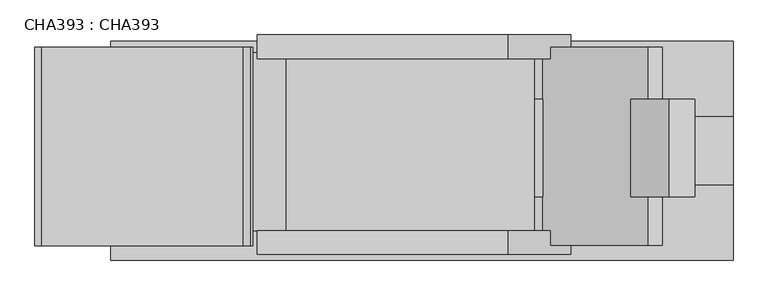
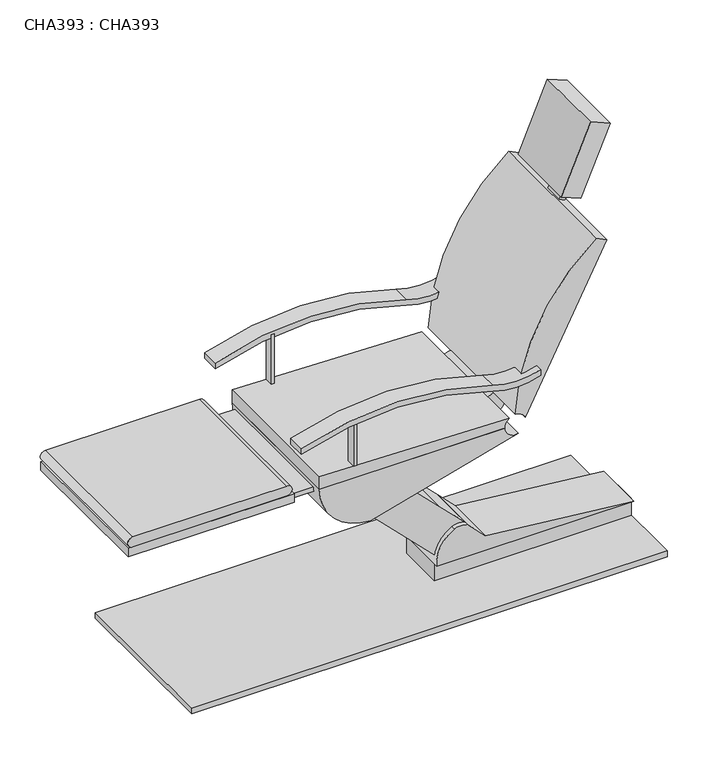
"""IFC4 building model written with IfcOpenShell, lengths in millimetres: proxy geometry, CHA393 : CHA393."""

from ifc_helpers import new_model, si_unit, point, frame, frame_2d, origin, origin_with_axes, place, context, project, spatial, polyline, circle_curve, trimmed, segment, composite_curve, outline, extrude, source, transform, mapped, element, save


def cha393_cha393_4b48a01d(model_context):
    return source(origin(), model_context, "Body", "SweptSolid", [
        extrude(outline(polyline([(949.5817063, 103.2268467), (939.5817063, 103.2268467), (939.5817063, 132.1294485), (949.5817063, 132.1294485), (949.5817063, 103.2268467)])), frame((0.0, 0.0, 657.1165582), z_axis=(0.0, 0.0, 1.0), x_axis=(1.0, 0.0, 0.0)), (0.0, 0.0, 1.0), 175.0),
        extrude(outline(polyline([(949.5817063, -373.9132284), (939.5817063, -373.9132284), (939.5817063, -344.642022), (949.5817063, -344.642022), (949.5817063, -373.9132284)])), frame((0.0, 0.0, 657.1165582), z_axis=(0.0, 0.0, 1.0), x_axis=(1.0, 0.0, 0.0)), (0.0, 0.0, 1.0), 175.0),
        extrude(outline(composite_curve([segment(polyline([(630.0419297, 201.4649975), (630.0419297, 716.4649975)]), True, "CONTINUOUS"), segment(trimmed(circle_curve(frame_2d((647.5419297, 716.4649975)), 17.5), [point((630.0419297, 716.4649975))], [point((665.0419297, 716.4649975))], False, "CARTESIAN"), True, "CONTINUOUS"), segment(polyline([(665.0419297, 716.4649975), (665.0419297, 201.4649975)]), True, "CONTINUOUS"), segment(trimmed(circle_curve(frame_2d((647.5419297, 201.4649975)), 17.5), [point((665.0419297, 201.4649975))], [point((630.0419297, 201.4649975))], False, "CARTESIAN"), True, "CONTINUOUS")], self_intersect=False)), frame((0.0, -373.9132284, 0.0), z_axis=(0.0, 1.0, 0.0), x_axis=(0.0, 0.0, 1.0)), (0.0, 0.0, 1.0), 506.0426768),
        extrude(outline(polyline([(1034.9843084, -336.2077402), (274.9893344, -336.2077402), (274.9893344, 118.1388683), (1034.9843084, 118.1388683), (1034.9843084, -336.2077402)])), frame((0.0, 0.0, 585.0419297), z_axis=(0.0, 0.0, 1.0), x_axis=(1.0, 0.0, 0.0)), (0.0, 0.0, 1.0), 15.0),
        extrude(outline(polyline([(740.3541151, -373.9132284), (185.3541151, -373.9132284), (185.3541151, 132.1294485), (740.3541151, 132.1294485), (740.3541151, -373.9132284)])), frame((0.0, 0.0, 600.0419297), z_axis=(0.0, 0.0, 1.0), x_axis=(1.0, 0.0, 0.0)), (0.0, 0.0, 1.0), 30.0),
        extrude(outline(composite_curve([segment(polyline([(660.0419297, 825.3541151), (615.0419297, 825.3541151), (615.0419297, 1445.3541151)]), True, "CONTINUOUS"), segment(trimmed(circle_curve(frame_2d((615.0419297, 1481.3328723)), 35.9787572), [point((615.0419297, 1445.3541151))], [point((643.7961293, 1459.707263))], True, "CARTESIAN"), True, "CONTINUOUS"), segment(polyline([(643.7961293, 1459.707263), (660.0419297, 825.3541151)]), True, "CONTINUOUS")], self_intersect=False)), frame((0.0, -373.9132284, 0.0), z_axis=(0.0, 1.0, 0.0), x_axis=(0.0, 0.0, 1.0)), (0.0, 0.0, 1.0), 506.0426768),
        extrude(outline(composite_curve([segment(polyline([(825.3541151, 615.0419297), (1445.3541151, 615.0419297)]), True, "CONTINUOUS"), segment(trimmed(circle_curve(frame_2d((1481.3328723, 615.0419297)), 35.9787572), [point((1445.3541151, 615.0419297))], [point((1490.7860083, 580.3272471))], True, "CARTESIAN"), True, "CONTINUOUS"), segment(polyline([(1490.7860083, 580.3272471), (995.0597426, 445.3363022)]), True, "CONTINUOUS"), segment(trimmed(circle_curve(frame_2d((995.0597426, 615.0419297)), 169.7056275), [point((995.0597426, 445.3363022))], [point((825.3541151, 615.0419297))], False, "CARTESIAN"), True, "CONTINUOUS")], self_intersect=False)), frame((0.0, 132.1294485, 0.0), z_axis=(0.0, -1.0, 0.0), x_axis=(1.0, 0.0, 0.0)), (0.0, 0.0, 1.0), 506.0426768),
        extrude(outline(composite_curve([segment(polyline([(275.7809607, 1326.2886841), (567.0853364, 1034.9843084), (475.6342084, 943.5331804), (111.0365282, 1308.1308606)]), True, "CONTINUOUS"), segment(trimmed(circle_curve(frame_2d((53.3066778, 1435.3901673)), 139.7414282), [point((111.0365282, 1308.1308606))], [point((190.928147, 1411.1414978))], True, "CARTESIAN"), True, "CONTINUOUS"), segment(polyline([(190.928147, 1411.1414978), (275.7809607, 1326.2886841)]), True, "CONTINUOUS")], self_intersect=False)), frame((0.0, -203.6904372, 0.0), z_axis=(0.0, 1.0, 0.0), x_axis=(0.0, 0.0, 1.0)), (0.0, 0.0, 1.0), 159.1967013),
        extrude(outline(composite_curve([segment(polyline([(132.2642316, 1469.8054132), (190.928147, 1411.1414978)]), True, "CONTINUOUS"), segment(trimmed(circle_curve(frame_2d((143.6503462, 1388.1952793)), 52.5520637), [point((190.928147, 1411.1414978))], [point((190.928147, 1365.2490607))], False, "CARTESIAN"), True, "CONTINUOUS"), segment(trimmed(circle_curve(frame_2d((91.6753307, 1419.6430786)), 113.1805227), [point((190.928147, 1365.2490607))], [point((80.0, 1307.0663608))], False, "CARTESIAN"), True, "CONTINUOUS"), segment(polyline([(80.0, 1307.0663608), (80.0, 1967.0663608), (132.2642316, 1469.8054132)]), True, "CONTINUOUS")], self_intersect=False)), frame((0.0, -218.8520278, 0.0), z_axis=(0.0, 1.0, 0.0), x_axis=(0.0, 0.0, 1.0)), (0.0, 0.0, 1.0), 174.3582919),
        extrude(outline(polyline([(1967.0663608, -203.6904372), (1307.0663608, -203.6904372), (1307.0663608, -44.4937358), (1967.0663608, -44.4937358), (1967.0663608, -203.6904372)])), frame((0.0, 0.0, 20.0), z_axis=(0.0, 0.0, 1.0), x_axis=(1.0, 0.0, 0.0)), (0.0, 0.0, 1.0), 60.0),
        extrude(outline(composite_curve([segment(trimmed(circle_curve(frame_2d((-116.5747064, 1071.995614)), 969.1068044), [point((798.1755319, 1391.995614))], [point((798.1755319, 751.995614))], False, "CARTESIAN"), True, "CONTINUOUS"), segment(polyline([(798.1755319, 751.995614), (778.1755319, 751.995614)]), True, "CONTINUOUS"), segment(trimmed(circle_curve(frame_2d((-136.5747064, 1071.995614)), 969.1068044), [point((778.1755319, 751.995614))], [point((778.1755319, 1391.995614))], True, "CARTESIAN"), True, "CONTINUOUS"), segment(trimmed(circle_curve(frame_2d((1006.8630914, 1471.995614)), 242.2767011), [point((778.1755319, 1391.995614))], [point((778.1755319, 1551.995614))], False, "CARTESIAN"), True, "CONTINUOUS"), segment(polyline([(778.1755319, 1551.995614), (798.1755319, 1551.995614)]), True, "CONTINUOUS"), segment(trimmed(circle_curve(frame_2d((1026.8630914, 1471.995614)), 242.2767011), [point((798.1755319, 1551.995614))], [point((798.1755319, 1391.995614))], True, "CARTESIAN"), True, "CONTINUOUS")], self_intersect=False)), frame((0.0, 103.2268467, 0.0), z_axis=(0.0, 1.0, 0.0), x_axis=(0.0, 0.0, 1.0)), (0.0, 0.0, 1.0), 60.5654131),
        extrude(outline(composite_curve([segment(trimmed(circle_curve(frame_2d((-116.5747064, 1071.995614)), 969.1068044), [point((798.1755319, 1391.995614))], [point((798.1755319, 751.995614))], False, "CARTESIAN"), True, "CONTINUOUS"), segment(polyline([(798.1755319, 751.995614), (778.1755319, 751.995614)]), True, "CONTINUOUS"), segment(trimmed(circle_curve(frame_2d((-136.5747064, 1071.995614)), 969.1068044), [point((778.1755319, 751.995614))], [point((778.1755319, 1391.995614))], True, "CARTESIAN"), True, "CONTINUOUS"), segment(trimmed(circle_curve(frame_2d((1006.8630914, 1471.995614)), 242.2767011), [point((778.1755319, 1391.995614))], [point((778.1755319, 1551.995614))], False, "CARTESIAN"), True, "CONTINUOUS"), segment(polyline([(778.1755319, 1551.995614), (798.1755319, 1551.995614)]), True, "CONTINUOUS"), segment(trimmed(circle_curve(frame_2d((1026.8630914, 1471.995614)), 242.2767011), [point((798.1755319, 1551.995614))], [point((798.1755319, 1391.995614))], True, "CARTESIAN"), True, "CONTINUOUS")], self_intersect=False)), frame((0.0, -396.7731533, 0.0), z_axis=(0.0, 1.0, 0.0), x_axis=(0.0, 0.0, 1.0)), (0.0, 0.0, 1.0), 60.5654131),
        extrude(outline(polyline([(0.0, -71.2176427), (0.0, 0.0), (250.0, 0.0), (250.0, -71.2176427), (0.0, -71.2176427)])), frame((1705.9612292, -250.0, 1265.5443464), z_axis=(0.3907311284892802, 0.0, 0.9205048534524376), x_axis=(0.0, 1.0, 0.0)), (0.0, 0.0, 1.0), 251.2107237),
        extrude(outline(polyline([(1304.5754594, 1825.5589239), (1175.3795134, 1759.7303014), (1166.2997034, 1777.5504319), (1304.3682036, 1847.8998465), (1353.1686919, 1819.7248715), (1343.5466026, 1803.0589239), (1304.5754594, 1825.5589239)])), frame((0.0, -145.6394871, 0.0), z_axis=(0.0, 1.0, 0.0), x_axis=(0.0, 0.0, 1.0)), (0.0, 0.0, 1.0), 66.1421114),
        extrude(outline(composite_curve([segment(polyline([(1161.7597984, 1786.4604972), (1179.9194184, 1750.8202362)]), True, "CONTINUOUS"), segment(trimmed(circle_curve(frame_2d((625.2488283, 2185.6677782)), 704.8062488), [point((1179.9194184, 1750.8202362))], [point((651.0206869, 1481.3328723))], False, "CARTESIAN"), True, "CONTINUOUS"), segment(trimmed(circle_curve(frame_2d((615.0419297, 1481.3328723)), 35.9787572), [point((651.0206869, 1481.3328723))], [point((628.443779, 1514.7224127))], True, "CARTESIAN"), True, "CONTINUOUS"), segment(polyline([(628.443779, 1514.7224127), (1161.7597984, 1786.4604972)]), True, "CONTINUOUS")], self_intersect=False)), frame((0.0, -373.9132284, 0.0), z_axis=(0.0, 1.0, 0.0), x_axis=(0.0, 0.0, 1.0)), (0.0, 0.0, 1.0), 506.0426768),
        extrude(outline(composite_curve([segment(trimmed(circle_curve(frame_2d((615.0419297, 1481.3328723)), 35.9787572), [point((615.0419297, 1445.3541151))], [point((615.0419297, 1517.3116295))], False, "CARTESIAN"), True, "CONTINUOUS"), segment(trimmed(circle_curve(frame_2d((615.0419297, 1481.3328723)), 35.9787572), [point((615.0419297, 1517.3116295))], [point((615.0419297, 1445.3541151))], False, "CARTESIAN"), True, "CONTINUOUS")], self_intersect=False)), frame((0.0, -250.0, 0.0), z_axis=(0.0, 1.0, 0.0), x_axis=(0.0, 0.0, 1.0)), (0.0, 0.0, 1.0), 250.0),
        extrude(outline(polyline([(1967.0663608, -410.898842), (377.1721739, -410.898842), (377.1721739, 147.3310619), (1967.0663608, 147.3310619), (1967.0663608, -410.898842)])), origin_with_axes(), (0.0, 0.0, 1.0), 20.0),
    ])


if __name__ == "__main__":
    model = new_model("IFC4")
    model_context = context("Model", 3, world=origin())
    ifc_project = project(units=[si_unit("LENGTHUNIT", "METRE", prefix="MILLI")], contexts=[model_context])
    site = spatial("IfcSite", under=ifc_project)
    building = spatial("IfcBuilding", under=site)
    placement = place(None, origin())
    cha393_cha393_shape = cha393_cha393_4b48a01d(model_context)
    element("IfcBuildingElementProxy", 1, Name="CHA393 : CHA393", ObjectType="CHA393 : CHA393", at=placement, inside=building, context=model_context, shape_type="MappedRepresentation", body=[
        mapped(cha393_cha393_shape, transform((0.0, 0.0, 0.0), x_axis=(1.0, 0.0, 0.0), y_axis=(0.0, 1.0, 0.0), z_axis=(0.0, 0.0, 1.0))),
    ])
    save(model, "model.ifc")
